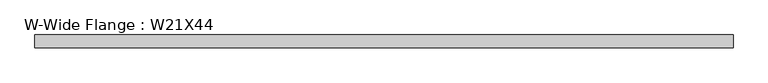
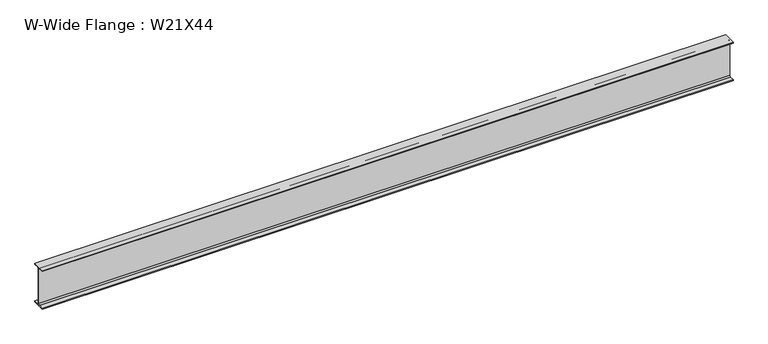
"""IFC4 building model written with IfcOpenShell, lengths in millimetres: beam geometry, W-Wide Flange : W21X44."""

from ifc_helpers import new_model, si_unit, point, frame, frame_2d, origin, place, context, project, spatial, polyline, circle_curve, trimmed, segment, composite_curve, outline, extrude, source, transform, mapped, element, save


def w_wide_flange_w21x44_6c354b53(model_context):
    return source(origin(), model_context, "Body", "SweptSolid", [
        extrude(outline(composite_curve([segment(polyline([(82.55, -251.4699219), (82.55, -262.8800781), (-82.55, -262.8800781), (-82.55, -251.4699219), (-21.6296875, -251.4699219)]), True, "CONTINUOUS"), segment(trimmed(circle_curve(frame_2d((-21.6296875, -234.3050781)), 17.1648437), [point((-21.6296875, -251.4699219))], [point((-4.4648438, -234.3050781))], True, "CARTESIAN"), True, "CONTINUOUS"), segment(polyline([(-4.4648438, -234.3050781), (-4.4648438, 234.3050781)]), True, "CONTINUOUS"), segment(trimmed(circle_curve(frame_2d((-21.6296875, 234.3050781)), 17.1648437), [point((-4.4648438, 234.3050781))], [point((-21.6296875, 251.4699219))], True, "CARTESIAN"), True, "CONTINUOUS"), segment(polyline([(-21.6296875, 251.4699219), (-82.55, 251.4699219), (-82.55, 262.8800781), (82.55, 262.8800781), (82.55, 251.4699219), (21.6296875, 251.4699219)]), True, "CONTINUOUS"), segment(trimmed(circle_curve(frame_2d((21.6296875, 234.3050781)), 17.1648437), [point((21.6296875, 251.4699219))], [point((4.4648437, 234.3050781))], True, "CARTESIAN"), True, "CONTINUOUS"), segment(polyline([(4.4648437, 234.3050781), (4.4648437, -234.3050781)]), True, "CONTINUOUS"), segment(trimmed(circle_curve(frame_2d((21.6296875, -234.3050781)), 17.1648437), [point((4.4648437, -234.3050781))], [point((21.6296875, -251.4699219))], True, "CARTESIAN"), True, "CONTINUOUS"), segment(polyline([(21.6296875, -251.4699219), (82.55, -251.4699219)]), True, "CONTINUOUS")], self_intersect=False)), frame((-4458.4441406, 0.0, 0.0), z_axis=(1.0, 0.0, 0.0), x_axis=(0.0, 1.0, 0.0)), (0.0, 0.0, 1.0), 8914.8542969),
    ])


if __name__ == "__main__":
    model = new_model("IFC4")
    model_context = context("Model", 3, world=origin())
    ifc_project = project(units=[si_unit("LENGTHUNIT", "METRE", prefix="MILLI")], contexts=[model_context])
    site = spatial("IfcSite", under=ifc_project)
    building = spatial("IfcBuilding", under=site)
    placement = place(None, origin())
    w_wide_flange_w21x44_shape = w_wide_flange_w21x44_6c354b53(model_context)
    element("IfcBeam", 1, ObjectType="W-Wide Flange : W21X44", at=placement, inside=building, context=model_context, shape_type="MappedRepresentation", body=[
        mapped(w_wide_flange_w21x44_shape, transform((0.0, 0.0, 0.0), x_axis=(1.0, 0.0, 0.0), y_axis=(0.0, 1.0, 0.0), z_axis=(0.0, 0.0, 1.0))),
    ])
    save(model, "model.ifc")
